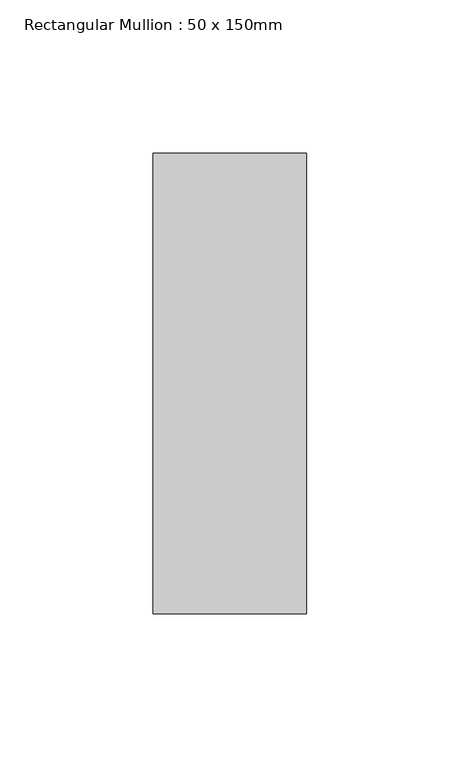
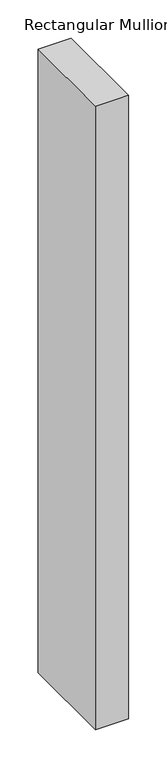
"""IFC4 building model written with IfcOpenShell, lengths in millimetres: member geometry, Rectangular Mullion : 50 x 150mm."""

from ifc_helpers import new_model, si_unit, frame, origin, place, context, project, spatial, polyline, outline, extrude, source, transform, mapped, element, save


def rectangular_mullion_50_x_150mm_8e4e4445(model_context):
    return source(origin(), model_context, "Body", "SweptSolid", [
        extrude(outline(polyline([(0.0, 75.0), (0.0, -75.0), (-50.0, -75.0), (-50.0, 75.0), (0.0, 75.0)])), frame((0.0, 0.0, -993.3333333), z_axis=(0.0, 0.0, 1.0), x_axis=(1.0, 0.0, 0.0)), (0.0, 0.0, 1.0), 993.3333333),
    ])


if __name__ == "__main__":
    model = new_model("IFC4")
    model_context = context("Model", 3, world=origin())
    ifc_project = project(units=[si_unit("LENGTHUNIT", "METRE", prefix="MILLI")], contexts=[model_context])
    site = spatial("IfcSite", under=ifc_project)
    building = spatial("IfcBuilding", under=site)
    placement = place(None, origin())
    rectangular_mullion_50_x_150mm_shape = rectangular_mullion_50_x_150mm_8e4e4445(model_context)
    element("IfcMember", 1, ObjectType="Rectangular Mullion : 50 x 150mm", at=placement, inside=building, context=model_context, shape_type="MappedRepresentation", body=[
        mapped(rectangular_mullion_50_x_150mm_shape, transform((0.0, 0.0, 0.0), x_axis=(1.0, 0.0, 0.0), y_axis=(0.0, 1.0, 0.0), z_axis=(0.0, 0.0, 1.0))),
    ])
    save(model, "model.ifc")
